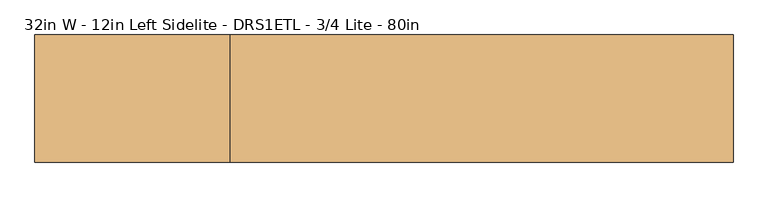
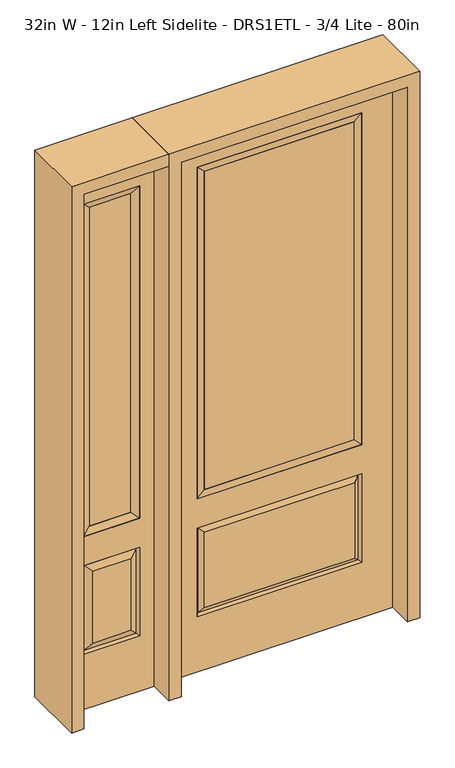
"""IFC4 building model written with IfcOpenShell, lengths in millimetres: door geometry, 32in W - 12in Left Sidelite - DRS1ETL - 3/4 Lite - 80in."""

from ifc_helpers import new_model, si_unit, frame, origin, place, context, project, spatial, polyline, outline, extrude, faceted_brep, source, transform, mapped, element, save


def door_32in_w_12in_left_sidelite_drs1etl_3_4_lite_80in_50660e74(model_context):
    return source(origin(), model_context, "Body", "SolidModel", [
        faceted_brep([(-755.65, -22.225, 0.0), (-450.85, -22.225, 0.0), (-450.85, -22.225, 2032.0), (-755.65, -22.225, 2032.0), (-502.92, -22.225, 1919.224), (-502.92, -22.225, 657.098), (-703.58, -22.225, 657.098), (-703.58, -22.225, 1919.224), (-502.92, -22.225, 209.55), (-703.58, -22.225, 209.55), (-703.58, -22.225, 546.1), (-502.92, -22.225, 546.1), (-671.8648999, -22.225, 241.2651001), (-534.6351001, -22.225, 241.2651001), (-534.6351001, -22.225, 514.3848999), (-671.8648999, -22.225, 514.3848999), (-755.65, 22.225, 0.0), (-755.65, 22.225, 2032.0), (-450.85, 22.225, 2032.0), (-450.85, 22.225, 0.0), (-502.92, 22.225, 1919.224), (-703.58, 22.225, 1919.224), (-703.58, 22.225, 657.098), (-502.92, 22.225, 657.098), (-703.58, 22.225, 209.55), (-502.92, 22.225, 209.55), (-502.92, 22.225, 546.1), (-703.58, 22.225, 546.1), (-534.6351001, 22.225, 241.2651001), (-671.8648999, 22.225, 241.2651001), (-671.8648999, 22.225, 514.3848999), (-534.6351001, 22.225, 514.3848999), (-510.0288501, 12.7912373, 216.6588501), (-696.4711499, 12.7912373, 216.6588501), (-696.4711499, 12.7912373, 538.9911499), (-510.0288501, 12.7912373, 538.9911499), (-696.4711499, -12.7912373, 216.6588501), (-510.0288501, -12.7912373, 216.6588501), (-696.4711499, -12.7912373, 538.9911499), (-510.0288501, -12.7912373, 538.9911499)], [[[0, 1, 2, 3], [4, 5, 6, 7], [8, 9, 10, 11]], [[12, 13, 14, 15]], [[16, 17, 18, 19], [20, 21, 22, 23], [24, 25, 26, 27]], [[28, 29, 30, 31]], [[1, 0, 16, 19]], [[2, 1, 19, 18]], [[3, 2, 18, 17]], [[0, 3, 17, 16]], [[5, 4, 20, 23]], [[6, 5, 23, 22]], [[7, 6, 22, 21]], [[4, 7, 21, 20]], [[32, 33, 29, 28]], [[33, 32, 25, 24]], [[29, 33, 34, 30]], [[33, 24, 27, 34]], [[30, 34, 35, 31]], [[34, 27, 26, 35]], [[32, 28, 31, 35]], [[25, 32, 35, 26]], [[12, 36, 37, 13]], [[37, 36, 9, 8]], [[36, 12, 15, 38]], [[9, 36, 38, 10]], [[38, 15, 14, 39]], [[10, 38, 39, 11]], [[13, 37, 39, 14]], [[37, 8, 11, 39]]]),
        faceted_brep([(-703.58, 22.225, 1919.224), (-703.58, -22.225, 1919.224), (-502.92, -22.225, 1919.224), (-502.92, 22.225, 1919.224), (-678.18, 12.7, 1893.824), (-528.32, 12.7, 1893.824), (-678.18, -12.7, 1893.824), (-528.32, -12.7, 1893.824), (-502.92, -22.225, 657.098), (-502.92, 22.225, 657.098), (-528.32, 12.7, 682.498), (-528.32, -12.7, 682.498), (-703.58, -22.225, 657.098), (-703.58, 22.225, 657.098), (-678.18, 12.7, 682.498), (-678.18, -12.7, 682.498)], [[[0, 1, 2, 3]], [[4, 0, 3, 5]], [[6, 4, 5, 7]], [[1, 6, 7, 2]], [[3, 2, 8, 9]], [[5, 3, 9, 10]], [[7, 5, 10, 11]], [[2, 7, 11, 8]], [[9, 8, 12, 13]], [[10, 9, 13, 14]], [[11, 10, 14, 15]], [[8, 11, 15, 12]], [[13, 12, 1, 0]], [[14, 13, 0, 4]], [[15, 14, 4, 6]], [[12, 15, 6, 1]]]),
        extrude(outline(polyline([(-528.32, -12.7), (-678.18, -12.7), (-678.18, 12.7), (-528.32, 12.7), (-528.32, -12.7)])), frame((0.0, 0.0, 682.498), z_axis=(0.0, 0.0, 1.0), x_axis=(1.0, 0.0, 0.0)), (0.0, 0.0, 1.0), 1211.326),
        faceted_brep([(-288.1661499, -12.7912373, 216.6588501), (288.1661499, -12.7912373, 216.6588501), (270.66875, -22.225, 234.15625), (-270.66875, -22.225, 234.15625), (-295.275, -22.225, 209.55), (295.275, -22.225, 209.55), (-288.1661499, -12.7912373, 538.9911499), (-295.275, -22.225, 546.1), (270.66875, -22.225, 521.49375), (-270.66875, -22.225, 521.49375), (406.4, -22.225, 2032.0), (-406.4, -22.225, 2032.0), (-406.4, -22.225, 0.0), (406.4, -22.225, 0.0), (295.275, -22.225, 546.1), (295.275, -22.225, 1917.7), (295.275, -22.225, 657.098), (-295.275, -22.225, 657.098), (-295.275, -22.225, 1917.7), (288.1661499, -12.7912373, 538.9911499), (-406.4, 22.225, 2032.0), (-406.4, 22.225, 0.0), (406.4, 22.225, 0.0), (406.4, 22.225, 2032.0), (295.275, 22.225, 1917.7), (295.275, 22.225, 657.098), (-295.275, 22.225, 657.098), (-295.275, 22.225, 1917.7), (-295.275, 22.225, 209.55), (295.275, 22.225, 209.55), (295.275, 22.225, 546.1), (-295.275, 22.225, 546.1), (270.66875, 22.225, 234.15625), (-270.66875, 22.225, 234.15625), (-270.66875, 22.225, 521.49375), (270.66875, 22.225, 521.49375), (-288.1661499, 12.7912373, 216.6588501), (288.1661499, 12.7912373, 216.6588501), (288.1661499, 12.7912373, 538.9911499), (-288.1661499, 12.7912373, 538.9911499)], [[[0, 1, 2, 3]], [[1, 0, 4, 5]], [[4, 0, 6, 7]], [[3, 2, 8, 9]], [[10, 11, 12, 13], [5, 4, 7, 14], [15, 16, 17, 18]], [[1, 5, 14, 19]], [[2, 1, 19, 8]], [[0, 3, 9, 6]], [[7, 6, 19, 14]], [[6, 9, 8, 19]], [[12, 11, 20, 21]], [[13, 12, 21, 22]], [[10, 13, 22, 23]], [[16, 15, 24, 25]], [[17, 16, 25, 26]], [[18, 17, 26, 27]], [[23, 22, 21, 20], [28, 29, 30, 31], [24, 27, 26, 25]], [[32, 33, 34, 35]], [[28, 36, 37, 29]], [[29, 37, 38, 30]], [[39, 31, 30, 38]], [[36, 28, 31, 39]], [[37, 36, 33, 32]], [[33, 36, 39, 34]], [[34, 39, 38, 35]], [[37, 32, 35, 38]], [[11, 10, 23, 20]], [[15, 18, 27, 24]]]),
        faceted_brep([(-295.275, -22.225, 1917.7), (-295.275, 22.225, 1917.7), (-295.275, 22.225, 657.098), (-295.275, -22.225, 657.098), (295.275, 22.225, 657.098), (295.275, -22.225, 657.098), (-269.875, 5.08, 682.498), (269.875, 5.08, 682.498), (295.275, 22.225, 1917.7), (295.275, -22.225, 1917.7), (-269.875, -20.32, 682.498), (269.875, -20.32, 682.498), (-269.875, -20.32, 1892.3), (269.875, -20.32, 1892.3), (-269.875, 5.08, 1892.3), (269.875, 5.08, 1892.3)], [[[0, 1, 2, 3]], [[3, 2, 4, 5]], [[2, 6, 7, 4]], [[5, 4, 8, 9]], [[10, 3, 5, 11]], [[12, 0, 3, 10]], [[11, 5, 9, 13]], [[6, 10, 11, 7]], [[14, 12, 10, 6]], [[7, 11, 13, 15]], [[1, 14, 6, 2]], [[4, 7, 15, 8]], [[9, 8, 1, 0]], [[13, 9, 0, 12]], [[15, 13, 12, 14]], [[8, 15, 14, 1]]]),
        extrude(outline(polyline([(269.875, -20.32), (-269.875, -20.32), (-269.875, 5.08), (269.875, 5.08), (269.875, -20.32)])), frame((0.0, 0.0, 682.498), z_axis=(0.0, 0.0, 1.0), x_axis=(1.0, 0.0, 0.0)), (0.0, 0.0, 1.0), 1209.802),
        extrude(outline(polyline([(2032.0, -450.85), (2076.45, -450.85), (2076.45, -800.1), (0.0, -800.1), (0.0, -755.65), (2032.0, -755.65), (2032.0, -450.85)])), frame((0.0, -114.3, 0.0), z_axis=(0.0, 1.0, 0.0), x_axis=(0.0, 0.0, 1.0)), (0.0, 0.0, 1.0), 228.6),
        extrude(outline(polyline([(2076.45, -450.85), (0.0, -450.85), (0.0, -406.4), (2032.0, -406.4), (2032.0, 406.4), (0.0, 406.4), (0.0, 450.85), (2076.45, 450.85), (2076.45, -450.85)])), frame((0.0, -114.3, 0.0), z_axis=(0.0, 1.0, 0.0), x_axis=(0.0, 0.0, 1.0)), (0.0, 0.0, 1.0), 228.6),
    ])


if __name__ == "__main__":
    model = new_model("IFC4")
    model_context = context("Model", 3, world=origin())
    ifc_project = project(units=[si_unit("LENGTHUNIT", "METRE", prefix="MILLI")], contexts=[model_context])
    site = spatial("IfcSite", under=ifc_project)
    building = spatial("IfcBuilding", under=site)
    placement = place(None, origin())
    door_32in_w_12in_left_sidelite_drs1etl_3_4_lite_80in_shape = door_32in_w_12in_left_sidelite_drs1etl_3_4_lite_80in_50660e74(model_context)
    element("IfcDoor", 1, ObjectType="32in W - 12in Left Sidelite - DRS1ETL - 3/4 Lite - 80in", at=placement, inside=building, context=model_context, shape_type="MappedRepresentation", body=[
        mapped(door_32in_w_12in_left_sidelite_drs1etl_3_4_lite_80in_shape, transform((0.0, 0.0, 0.0), x_axis=(1.0, 0.0, 0.0), y_axis=(0.0, 1.0, 0.0), z_axis=(0.0, 0.0, 1.0))),
    ])
    save(model, "model.ifc")
